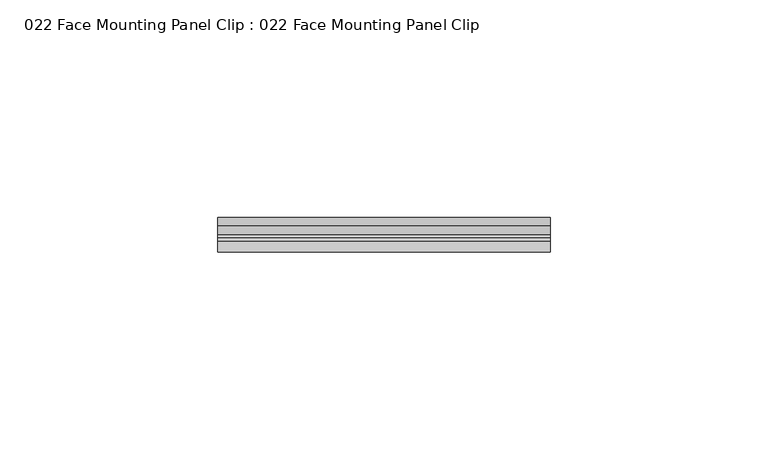
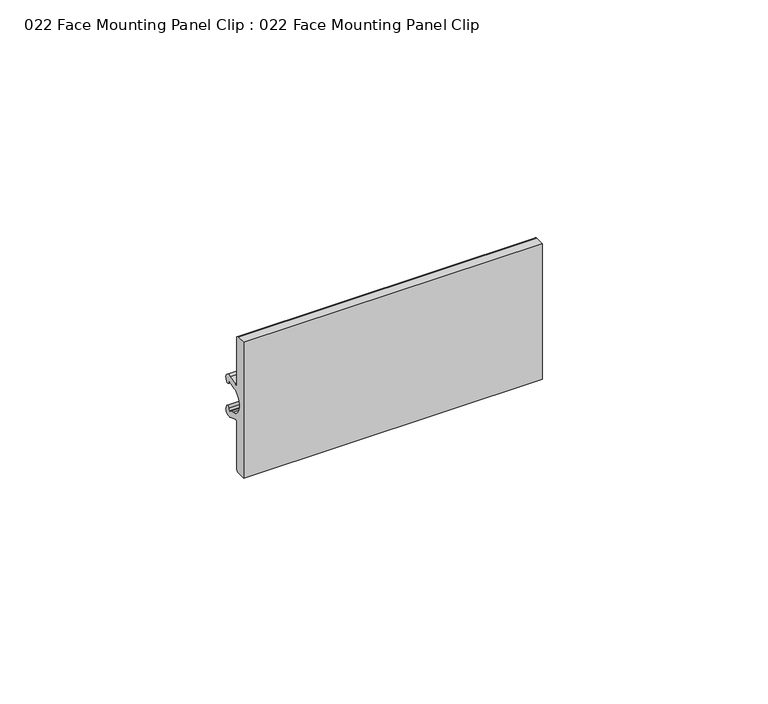
"""IFC4 building model written with IfcOpenShell, lengths in millimetres: proxy geometry, 022 Face Mounting Panel Clip : 022 Face Mounting Panel Clip."""

import ifcopenshell
import ifcopenshell.guid

model = None  # the IFC model being written
_history = None  # IfcOwnerHistory: only IFC2X3 demands one
_inside = {}  # id of a spatial element -> (the spatial element, [elements in it])
_under = {}  # id of a project, library or spatial element -> (it, [spatial elements below it])
_declared = {}  # id of a project -> (the project, [libraries it declares])
_typed = {}  # id of a type object -> (the type object, [elements of that type])
_made_of = {}  # id of a material, layer set ... -> (it, [elements and type objects made of it])


def new_model(schema):
    """Start an empty IFC model of exactly this schema.

    Asked for "IFC4X3", IfcOpenShell would pick the latest addendum, in which some entities
    have other attributes; the version numbers below select the first issue.
    IFC2X3 requires an IfcOwnerHistory on every rooted entity: one is made here for all.
    """
    global model, _history
    if schema == "IFC4X3":
        model = ifcopenshell.file(schema_version=(4, 3, 0, 0))
    else:
        model = ifcopenshell.file(schema=schema)
    _inside.clear()
    _under.clear()
    _declared.clear()
    _typed.clear()
    _made_of.clear()
    _history = None
    if model.schema == "IFC2X3":
        org = make("IfcOrganization", Name="unknown")
        user = make(
            "IfcPersonAndOrganization",
            ThePerson=make("IfcPerson", FamilyName="unknown"),
            TheOrganization=org,
        )
        app = make(
            "IfcApplication",
            ApplicationDeveloper=org,
            Version="unknown",
            ApplicationFullName="unknown",
            ApplicationIdentifier="unknown",
        )
        _history = make(
            "IfcOwnerHistory",
            OwningUser=user,
            OwningApplication=app,
            ChangeAction="ADDED",
            CreationDate=0,
        )
    return model


def make(cls, **values):
    """One entity of the class cls with the attributes given. An attribute that is None is left unset."""
    return model.create_entity(
        cls, **{name: value for name, value in values.items() if value is not None}
    )


def rooted(cls, **values):
    """An entity with a GlobalId (a new one), such as an element, a storey or a relation."""
    return make(cls, GlobalId=ifcopenshell.guid.new(), OwnerHistory=_history, **values)


def si_unit(unit_type, name, prefix=None):
    """IfcSIUnit, for example si_unit("LENGTHUNIT", "METRE", prefix="MILLI")."""
    return make("IfcSIUnit", UnitType=unit_type, Prefix=prefix, Name=name)


def assignment(units):
    """IfcUnitAssignment: the units of a project."""
    return None if units is None else make("IfcUnitAssignment", Units=units)


def point(xyz):
    """IfcCartesianPoint."""
    return None if xyz is None else make("IfcCartesianPoint", Coordinates=xyz)


def direction(xyz):
    """IfcDirection."""
    return None if xyz is None else make("IfcDirection", DirectionRatios=xyz)


def frame(location, z_axis=None, x_axis=None):
    """IfcAxis2Placement3D, a coordinate frame: its origin and axes. An axis left out is left unset."""
    return make(
        "IfcAxis2Placement3D",
        Location=point(location),
        Axis=direction(z_axis),
        RefDirection=direction(x_axis),
    )


def frame_2d(location, x_axis=None):
    """IfcAxis2Placement2D, a coordinate frame in the plane: its origin and x axis."""
    return make(
        "IfcAxis2Placement2D", Location=point(location), RefDirection=direction(x_axis)
    )


def origin():
    """The frame at (0, 0, 0) with its axes left unset."""
    return frame((0.0, 0.0, 0.0))


def place(relative_to, where):
    """IfcLocalPlacement: puts the frame where relative to a parent placement (None: the world)."""
    return make(
        "IfcLocalPlacement", PlacementRelTo=relative_to, RelativePlacement=where
    )


def context(
    kind, dimensions, precision=None, world=None, true_north=None, identifier=None
):
    """IfcGeometricRepresentationContext, for example the 3D "Model" context."""
    return make(
        "IfcGeometricRepresentationContext",
        ContextIdentifier=identifier,
        ContextType=kind,
        CoordinateSpaceDimension=dimensions,
        Precision=precision,
        WorldCoordinateSystem=world,
        TrueNorth=true_north,
    )


def project(units=None, contexts=None):
    """IfcProject with its units and contexts."""
    return rooted(
        "IfcProject",
        Name="project",
        RepresentationContexts=contexts,
        UnitsInContext=assignment(units),
    )


def spatial(cls, under=None, at=None, **own):
    """A site, building, storey or space (cls), placed at a placement, below another one or the project."""
    s = rooted(cls, ObjectPlacement=at, **own)
    if under is not None:
        _under.setdefault(under.id(), (under, []))[1].append(s)
    return s


def polyline(points):
    """IfcPolyline through the points."""
    return make("IfcPolyline", Points=[point(p) for p in points])


def circle_curve(where, radius):
    """IfcCircle in the frame where."""
    return make("IfcCircle", Position=where, Radius=radius)


def trimmed(basis, trim1, trim2, sense, master):
    """IfcTrimmedCurve: the piece of a basis curve between two trims."""
    return make(
        "IfcTrimmedCurve",
        BasisCurve=basis,
        Trim1=trim1,
        Trim2=trim2,
        SenseAgreement=sense,
        MasterRepresentation=master,
    )


def segment(curve, same_sense, transition):
    """IfcCompositeCurveSegment."""
    return make(
        "IfcCompositeCurveSegment",
        Transition=transition,
        SameSense=same_sense,
        ParentCurve=curve,
    )


def composite_curve(segments, self_intersect=None):
    """IfcCompositeCurve: segments joined end to end."""
    return make("IfcCompositeCurve", Segments=segments, SelfIntersect=self_intersect)


def outline(outer, holes=None, kind="AREA"):
    """IfcArbitraryClosedProfileDef: a profile drawn as a closed curve; with holes, ...WithVoids."""
    if holes is None:
        return make("IfcArbitraryClosedProfileDef", ProfileType=kind, OuterCurve=outer)
    return make(
        "IfcArbitraryProfileDefWithVoids",
        ProfileType=kind,
        OuterCurve=outer,
        InnerCurves=holes,
    )


def extrude(swept, where, along, depth):
    """IfcExtrudedAreaSolid: the profile swept, set in the frame where, extruded along a direction by depth."""
    return make(
        "IfcExtrudedAreaSolid",
        SweptArea=swept,
        Position=where,
        ExtrudedDirection=direction(along),
        Depth=depth,
    )


def shape(context_of_items, identifier, shape_type, items):
    """IfcShapeRepresentation: the items that make up one representation, for example the "Body"."""
    return make(
        "IfcShapeRepresentation",
        ContextOfItems=context_of_items,
        RepresentationIdentifier=identifier,
        RepresentationType=shape_type,
        Items=items,
    )


def source(mapping_origin, context_of_items, identifier, shape_type, items):
    """IfcRepresentationMap: a shape defined once, which mapped items show again and again."""
    return make(
        "IfcRepresentationMap",
        MappingOrigin=mapping_origin,
        MappedRepresentation=shape(context_of_items, identifier, shape_type, items),
    )


def transform(
    local_origin,
    x_axis=None,
    y_axis=None,
    z_axis=None,
    scale=None,
    scale2=None,
    scale3=None,
    uniform=True,
):
    """IfcCartesianTransformationOperator3D, or its non-uniform kind. x_axis, y_axis, z_axis: its Axis1, 2, 3."""
    if uniform:
        return make(
            "IfcCartesianTransformationOperator3D",
            Axis1=direction(x_axis),
            Axis2=direction(y_axis),
            LocalOrigin=point(local_origin),
            Scale=scale,
            Axis3=direction(z_axis),
        )
    return make(
        "IfcCartesianTransformationOperator3DnonUniform",
        Axis1=direction(x_axis),
        Axis2=direction(y_axis),
        LocalOrigin=point(local_origin),
        Scale=scale,
        Axis3=direction(z_axis),
        Scale2=scale2,
        Scale3=scale3,
    )


def mapped(mapping_source, mapping_target):
    """IfcMappedItem: shows the shape of a source again, moved by a transform."""
    return make(
        "IfcMappedItem", MappingSource=mapping_source, MappingTarget=mapping_target
    )


def made_of(thing, what):
    """Note that an element or type object is made of a material, layer set ...; save() writes the relation."""
    if what is not None:
        _made_of.setdefault(what.id(), (what, []))[1].append(thing)
    return thing


def element(
    cls,
    number,
    at=None,
    inside=None,
    cuts=None,
    type_object=None,
    material=None,
    context=None,
    identifier="Body",
    shape_type=None,
    held_by="IfcProductDefinitionShape",
    body=None,
    shapes=None,
    **own,
):
    """One element of the class cls, such as IfcWall. Its Tag is "e" and its number.

    at: its placement. inside: the storey or other place that contains it. cuts: it is an
    opening in that element (IfcRelVoidsElement). A single representation is given by context,
    identifier, shape_type and body (its items); several are given by shapes. held_by: the class
    of the entity that holds the representations. save() writes the other relations.
    """
    e = rooted(cls, Tag="e%d" % number, ObjectPlacement=at, **own)
    if body is not None:
        shapes = [shape(context, identifier, shape_type, body)]
    if shapes is not None:
        e.Representation = make(held_by, Representations=shapes)
    if inside is not None:
        _inside.setdefault(inside.id(), (inside, []))[1].append(e)
    if cuts is not None:
        rooted(
            "IfcRelVoidsElement", RelatingBuildingElement=cuts, RelatedOpeningElement=e
        )
    if type_object is not None:
        _typed.setdefault(type_object.id(), (type_object, []))[1].append(e)
    return made_of(e, material)


def aggregate(whole, parts):
    """IfcRelAggregates: a whole, such as a stair, and the parts it consists of."""
    return rooted("IfcRelAggregates", RelatingObject=whole, RelatedObjects=parts)


def save(model, path):
    """Write the relations noted so far, then the file.

    IfcRelAggregates (storeys below a building ...), IfcRelContainedInSpatialStructure (elements
    in a storey), IfcRelDefinesByType, IfcRelAssociatesMaterial and IfcRelDeclares: one each for
    every whole, place, type object, material and project.
    """
    for whole, parts in _under.values():
        aggregate(whole, parts)
    for where, things in _inside.values():
        rooted(
            "IfcRelContainedInSpatialStructure",
            RelatedElements=things,
            RelatingStructure=where,
        )
    for kind, things in _typed.values():
        rooted("IfcRelDefinesByType", RelatedObjects=things, RelatingType=kind)
    for what, things in _made_of.values():
        rooted("IfcRelAssociatesMaterial", RelatedObjects=things, RelatingMaterial=what)
    for by, libraries in _declared.values():
        rooted("IfcRelDeclares", RelatingContext=by, RelatedDefinitions=libraries)
    model.write(path)


def proxy_022_face_mounting_panel_clip_022_face_mounting_panel_945908a5(model_context):
    return source(origin(), model_context, "Body", "SweptSolid", [
        extrude(outline(composite_curve([segment(trimmed(circle_curve(frame_2d((6.3265606, 44.1485832)), 0.3917613), [point((6.7118376, 44.0776003))], [point((6.1090306, 44.4744016))], True, "CARTESIAN"), True, "CONTINUOUS"), segment(polyline([(6.1090306, 44.4744016), (4.7149398, 43.9669941)]), True, "CONTINUOUS"), segment(trimmed(circle_curve(frame_2d((4.0070133, 45.4258784)), 1.6215744), [point((4.7149398, 43.9669941))], [point((3.7602918, 43.8231831))], False, "CARTESIAN"), True, "CONTINUOUS"), segment(trimmed(circle_curve(frame_2d((3.683, 43.3210975)), 0.508), [point((3.7602918, 43.8231831))], [point((3.175, 43.3210975))], True, "CARTESIAN"), True, "CONTINUOUS"), segment(trimmed(circle_curve(frame_2d((5.22476, 40.5927834)), 3.4125085), [point((3.175, 43.3210975))], [point((3.175, 37.8644693))], True, "CARTESIAN"), True, "CONTINUOUS"), segment(trimmed(circle_curve(frame_2d((3.683, 37.8644693)), 0.508), [point((3.175, 37.8644693))], [point((3.683, 37.3564693))], True, "CARTESIAN"), True, "CONTINUOUS"), segment(trimmed(circle_curve(frame_2d((3.683, 32.6934582)), 4.6630111), [point((3.683, 37.3564693))], [point((4.569984, 37.2713324))], False, "CARTESIAN"), True, "CONTINUOUS"), segment(polyline([(4.569984, 37.2713324), (6.0008387, 36.7505438)]), True, "CONTINUOUS"), segment(trimmed(circle_curve(frame_2d((6.3315941, 36.9759392)), 0.4002526), [point((6.0008387, 36.7505438))], [point((6.7183648, 37.0789467))], True, "CARTESIAN"), True, "CONTINUOUS"), segment(trimmed(circle_curve(frame_2d((7.0865314, 37.1769996)), 0.381), [point((6.7183648, 37.0789467))], [point((7.4461222, 37.3029181))], False, "CARTESIAN"), True, "CONTINUOUS"), segment(polyline([(7.4461222, 37.3029181), (7.8504115, 36.1483719)]), True, "CONTINUOUS"), segment(trimmed(circle_curve(frame_2d((6.4530409, 36.4060895)), 1.4209374), [point((7.8504115, 36.1483719))], [point((5.8894145, 35.1017167))], False, "CARTESIAN"), True, "CONTINUOUS"), segment(polyline([(5.8894145, 35.1017167), (3.8552313, 35.8420989)]), True, "CONTINUOUS"), segment(trimmed(circle_curve(frame_2d((3.5189348, 35.7617413)), 0.3457638), [point((3.8552313, 35.8420989))], [point((3.175, 35.726224))], True, "CARTESIAN"), True, "CONTINUOUS"), segment(polyline([(3.175, 35.726224), (3.175, 23.0669653)]), True, "CONTINUOUS"), segment(trimmed(circle_curve(frame_2d((2.3876, 23.0669653)), 0.7874), [point((3.175, 23.0669653))], [point((2.3876, 22.2795653))], False, "CARTESIAN"), True, "CONTINUOUS"), segment(polyline([(2.3876, 22.2795653), (0.0, 22.2795653), (0.0, 58.9060015), (2.3876, 58.9060015)]), True, "CONTINUOUS"), segment(trimmed(circle_curve(frame_2d((2.3876, 58.1186015)), 0.7874), [point((2.3876, 58.9060015))], [point((3.175, 58.1186015))], False, "CARTESIAN"), True, "CONTINUOUS"), segment(polyline([(3.175, 58.1186015), (3.175, 45.4593429)]), True, "CONTINUOUS"), segment(trimmed(circle_curve(frame_2d((3.5189348, 45.4238255)), 0.3457638), [point((3.175, 45.4593429))], [point((3.8552313, 45.3434679))], True, "CARTESIAN"), True, "CONTINUOUS"), segment(polyline([(3.8552313, 45.3434679), (5.8894145, 46.0838501)]), True, "CONTINUOUS"), segment(trimmed(circle_curve(frame_2d((6.4530409, 44.7794773)), 1.4209374), [point((5.8894145, 46.0838501))], [point((7.8504115, 45.0371949))], False, "CARTESIAN"), True, "CONTINUOUS"), segment(polyline([(7.8504115, 45.0371949), (7.4461222, 43.8826487)]), True, "CONTINUOUS"), segment(trimmed(circle_curve(frame_2d((7.0865314, 44.0085673)), 0.381), [point((7.4461222, 43.8826487))], [point((6.7118376, 44.0776003))], False, "CARTESIAN"), True, "CONTINUOUS")], self_intersect=False)), frame((0.0, 0.0, 0.0), z_axis=(1.0, 0.0, 0.0), x_axis=(0.0, 1.0, 0.0)), (0.0, 0.0, 1.0), 76.2),
    ])


if __name__ == "__main__":
    model = new_model("IFC4")
    model_context = context("Model", 3, world=origin())
    ifc_project = project(units=[si_unit("LENGTHUNIT", "METRE", prefix="MILLI")], contexts=[model_context])
    site = spatial("IfcSite", under=ifc_project)
    building = spatial("IfcBuilding", under=site)
    placement = place(None, origin())
    proxy_022_face_mounting_panel_clip_022_face_mounting_panel_shape = proxy_022_face_mounting_panel_clip_022_face_mounting_panel_945908a5(model_context)
    element("IfcBuildingElementProxy", 1, Name="022 Face Mounting Panel Clip : 022 Face Mounting Panel Clip", ObjectType="022 Face Mounting Panel Clip : 022 Face Mounting Panel Clip", at=placement, inside=building, context=model_context, shape_type="MappedRepresentation", body=[
        mapped(proxy_022_face_mounting_panel_clip_022_face_mounting_panel_shape, transform((0.0, 0.0, 0.0), x_axis=(1.0, 0.0, 0.0), y_axis=(0.0, 1.0, 0.0), z_axis=(0.0, 0.0, 1.0))),
    ])
    save(model, "model.ifc")
